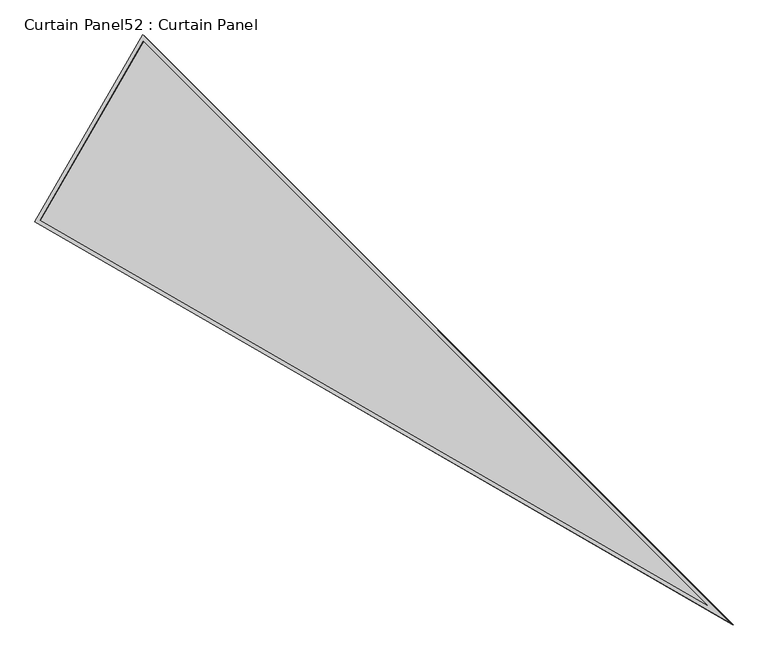
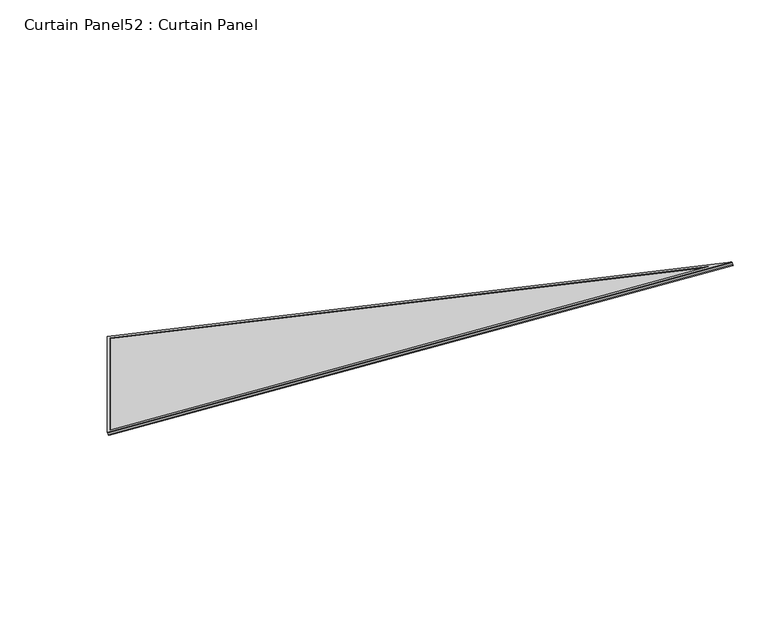
"""IFC4 building model written with IfcOpenShell, lengths in millimetres: plate geometry, Curtain Panel52 : Curtain Panel."""

from ifc_helpers import new_model, si_unit, frame, origin, place, context, project, spatial, polyline, outline, extrude, source, transform, mapped, element, save


def curtain_panel52_curtain_panel_2a610f4d(model_context):
    return source(origin(), model_context, "Body", "SweptSolid", [
        extrude(outline(polyline([(895.9373553, 0.0), (0.0, -3524.4506618), (0.0, 0.0), (895.9373553, 0.0)]), holes=[polyline([(874.508816, -16.6627979), (16.6627979, -16.6627979), (16.6627978, -3391.2692346), (874.508816, -16.6627979)])]), frame((6959.4970202, 5419.8576262, 898.6959229), z_axis=(-0.2737903148616815, 0.15807291198690887, 0.9487106081329123), x_axis=(0.5000000000000167, 0.8660254037844292, 0.0)), (0.0, 0.0, 1.0), 4.8362169),
        extrude(outline(polyline([(895.9373554, 0.0), (0.0, -3524.4506618), (0.0, 0.0), (895.9373554, 0.0)]), holes=[polyline([(882.6749851, -10.312798), (10.3127979, -10.3127979), (10.3127979, -3442.0231398), (882.6749851, -10.312798)])]), frame((6964.3219005, 5417.0719802, 881.9772337), z_axis=(-0.2737903148616817, 0.158072911986909, 0.9487106081329122), x_axis=(0.5000000000000167, 0.8660254037844292, 0.0)), (0.0, 0.0, 1.0), 4.7776723),
        extrude(outline(polyline([(12.7000001, 0.0), (908.6373554, 0.0), (12.7, -3524.4506618), (12.7000001, 0.0)])), frame((6956.6638201, 5406.8286781, 886.5098621), z_axis=(-0.27379031486167676, 0.15807291198690623, 0.9487106081329142), x_axis=(0.5000000000000115, 0.866025403784432, 0.0)), (0.0, 0.0, 1.0), 12.8448662),
    ])


if __name__ == "__main__":
    model = new_model("IFC4")
    model_context = context("Model", 3, world=origin())
    ifc_project = project(units=[si_unit("LENGTHUNIT", "METRE", prefix="MILLI")], contexts=[model_context])
    site = spatial("IfcSite", under=ifc_project)
    building = spatial("IfcBuilding", under=site)
    placement = place(None, origin())
    curtain_panel52_curtain_panel_shape = curtain_panel52_curtain_panel_2a610f4d(model_context)
    element("IfcPlate", 1, ObjectType="Curtain Panel52 : Curtain Panel", at=placement, inside=building, context=model_context, shape_type="MappedRepresentation", body=[
        mapped(curtain_panel52_curtain_panel_shape, transform((0.0, 0.0, 0.0), x_axis=(1.0, 0.0, 0.0), y_axis=(0.0, 1.0, 0.0), z_axis=(0.0, 0.0, 1.0))),
    ])
    save(model, "model.ifc")
